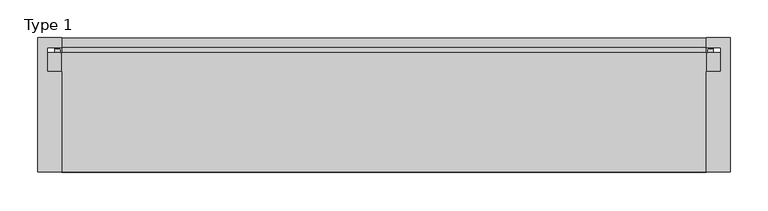
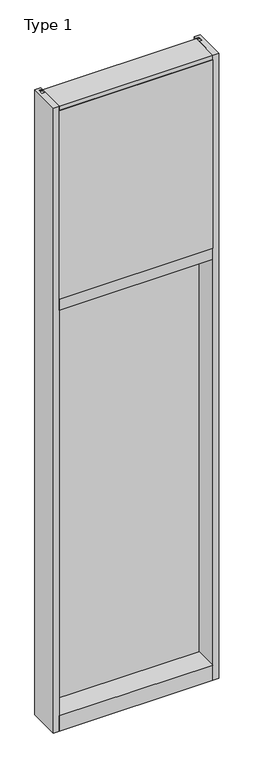
"""IFC4 building model written with IfcOpenShell, lengths in millimetres: plate geometry, Type 1."""

import ifcopenshell
import ifcopenshell.guid

model = None  # the IFC model being written
_history = None  # IfcOwnerHistory: only IFC2X3 demands one
_inside = {}  # id of a spatial element -> (the spatial element, [elements in it])
_under = {}  # id of a project, library or spatial element -> (it, [spatial elements below it])
_declared = {}  # id of a project -> (the project, [libraries it declares])
_typed = {}  # id of a type object -> (the type object, [elements of that type])
_made_of = {}  # id of a material, layer set ... -> (it, [elements and type objects made of it])


def new_model(schema):
    """Start an empty IFC model of exactly this schema.

    Asked for "IFC4X3", IfcOpenShell would pick the latest addendum, in which some entities
    have other attributes; the version numbers below select the first issue.
    IFC2X3 requires an IfcOwnerHistory on every rooted entity: one is made here for all.
    """
    global model, _history
    if schema == "IFC4X3":
        model = ifcopenshell.file(schema_version=(4, 3, 0, 0))
    else:
        model = ifcopenshell.file(schema=schema)
    _inside.clear()
    _under.clear()
    _declared.clear()
    _typed.clear()
    _made_of.clear()
    _history = None
    if model.schema == "IFC2X3":
        org = make("IfcOrganization", Name="unknown")
        user = make(
            "IfcPersonAndOrganization",
            ThePerson=make("IfcPerson", FamilyName="unknown"),
            TheOrganization=org,
        )
        app = make(
            "IfcApplication",
            ApplicationDeveloper=org,
            Version="unknown",
            ApplicationFullName="unknown",
            ApplicationIdentifier="unknown",
        )
        _history = make(
            "IfcOwnerHistory",
            OwningUser=user,
            OwningApplication=app,
            ChangeAction="ADDED",
            CreationDate=0,
        )
    return model


def make(cls, **values):
    """One entity of the class cls with the attributes given. An attribute that is None is left unset."""
    return model.create_entity(
        cls, **{name: value for name, value in values.items() if value is not None}
    )


def rooted(cls, **values):
    """An entity with a GlobalId (a new one), such as an element, a storey or a relation."""
    return make(cls, GlobalId=ifcopenshell.guid.new(), OwnerHistory=_history, **values)


def si_unit(unit_type, name, prefix=None):
    """IfcSIUnit, for example si_unit("LENGTHUNIT", "METRE", prefix="MILLI")."""
    return make("IfcSIUnit", UnitType=unit_type, Prefix=prefix, Name=name)


def assignment(units):
    """IfcUnitAssignment: the units of a project."""
    return None if units is None else make("IfcUnitAssignment", Units=units)


def point(xyz):
    """IfcCartesianPoint."""
    return None if xyz is None else make("IfcCartesianPoint", Coordinates=xyz)


def direction(xyz):
    """IfcDirection."""
    return None if xyz is None else make("IfcDirection", DirectionRatios=xyz)


def frame(location, z_axis=None, x_axis=None):
    """IfcAxis2Placement3D, a coordinate frame: its origin and axes. An axis left out is left unset."""
    return make(
        "IfcAxis2Placement3D",
        Location=point(location),
        Axis=direction(z_axis),
        RefDirection=direction(x_axis),
    )


def frame_2d(location, x_axis=None):
    """IfcAxis2Placement2D, a coordinate frame in the plane: its origin and x axis."""
    return make(
        "IfcAxis2Placement2D", Location=point(location), RefDirection=direction(x_axis)
    )


def origin():
    """The frame at (0, 0, 0) with its axes left unset."""
    return frame((0.0, 0.0, 0.0))


def place(relative_to, where):
    """IfcLocalPlacement: puts the frame where relative to a parent placement (None: the world)."""
    return make(
        "IfcLocalPlacement", PlacementRelTo=relative_to, RelativePlacement=where
    )


def context(
    kind, dimensions, precision=None, world=None, true_north=None, identifier=None
):
    """IfcGeometricRepresentationContext, for example the 3D "Model" context."""
    return make(
        "IfcGeometricRepresentationContext",
        ContextIdentifier=identifier,
        ContextType=kind,
        CoordinateSpaceDimension=dimensions,
        Precision=precision,
        WorldCoordinateSystem=world,
        TrueNorth=true_north,
    )


def project(units=None, contexts=None):
    """IfcProject with its units and contexts."""
    return rooted(
        "IfcProject",
        Name="project",
        RepresentationContexts=contexts,
        UnitsInContext=assignment(units),
    )


def spatial(cls, under=None, at=None, **own):
    """A site, building, storey or space (cls), placed at a placement, below another one or the project."""
    s = rooted(cls, ObjectPlacement=at, **own)
    if under is not None:
        _under.setdefault(under.id(), (under, []))[1].append(s)
    return s


def polyline(points):
    """IfcPolyline through the points."""
    return make("IfcPolyline", Points=[point(p) for p in points])


def circle_curve(where, radius):
    """IfcCircle in the frame where."""
    return make("IfcCircle", Position=where, Radius=radius)


def trimmed(basis, trim1, trim2, sense, master):
    """IfcTrimmedCurve: the piece of a basis curve between two trims."""
    return make(
        "IfcTrimmedCurve",
        BasisCurve=basis,
        Trim1=trim1,
        Trim2=trim2,
        SenseAgreement=sense,
        MasterRepresentation=master,
    )


def segment(curve, same_sense, transition):
    """IfcCompositeCurveSegment."""
    return make(
        "IfcCompositeCurveSegment",
        Transition=transition,
        SameSense=same_sense,
        ParentCurve=curve,
    )


def composite_curve(segments, self_intersect=None):
    """IfcCompositeCurve: segments joined end to end."""
    return make("IfcCompositeCurve", Segments=segments, SelfIntersect=self_intersect)


def outline(outer, holes=None, kind="AREA"):
    """IfcArbitraryClosedProfileDef: a profile drawn as a closed curve; with holes, ...WithVoids."""
    if holes is None:
        return make("IfcArbitraryClosedProfileDef", ProfileType=kind, OuterCurve=outer)
    return make(
        "IfcArbitraryProfileDefWithVoids",
        ProfileType=kind,
        OuterCurve=outer,
        InnerCurves=holes,
    )


def extrude(swept, where, along, depth):
    """IfcExtrudedAreaSolid: the profile swept, set in the frame where, extruded along a direction by depth."""
    return make(
        "IfcExtrudedAreaSolid",
        SweptArea=swept,
        Position=where,
        ExtrudedDirection=direction(along),
        Depth=depth,
    )


def shape(context_of_items, identifier, shape_type, items):
    """IfcShapeRepresentation: the items that make up one representation, for example the "Body"."""
    return make(
        "IfcShapeRepresentation",
        ContextOfItems=context_of_items,
        RepresentationIdentifier=identifier,
        RepresentationType=shape_type,
        Items=items,
    )


def source(mapping_origin, context_of_items, identifier, shape_type, items):
    """IfcRepresentationMap: a shape defined once, which mapped items show again and again."""
    return make(
        "IfcRepresentationMap",
        MappingOrigin=mapping_origin,
        MappedRepresentation=shape(context_of_items, identifier, shape_type, items),
    )


def transform(
    local_origin,
    x_axis=None,
    y_axis=None,
    z_axis=None,
    scale=None,
    scale2=None,
    scale3=None,
    uniform=True,
):
    """IfcCartesianTransformationOperator3D, or its non-uniform kind. x_axis, y_axis, z_axis: its Axis1, 2, 3."""
    if uniform:
        return make(
            "IfcCartesianTransformationOperator3D",
            Axis1=direction(x_axis),
            Axis2=direction(y_axis),
            LocalOrigin=point(local_origin),
            Scale=scale,
            Axis3=direction(z_axis),
        )
    return make(
        "IfcCartesianTransformationOperator3DnonUniform",
        Axis1=direction(x_axis),
        Axis2=direction(y_axis),
        LocalOrigin=point(local_origin),
        Scale=scale,
        Axis3=direction(z_axis),
        Scale2=scale2,
        Scale3=scale3,
    )


def mapped(mapping_source, mapping_target):
    """IfcMappedItem: shows the shape of a source again, moved by a transform."""
    return make(
        "IfcMappedItem", MappingSource=mapping_source, MappingTarget=mapping_target
    )


def made_of(thing, what):
    """Note that an element or type object is made of a material, layer set ...; save() writes the relation."""
    if what is not None:
        _made_of.setdefault(what.id(), (what, []))[1].append(thing)
    return thing


def element(
    cls,
    number,
    at=None,
    inside=None,
    cuts=None,
    type_object=None,
    material=None,
    context=None,
    identifier="Body",
    shape_type=None,
    held_by="IfcProductDefinitionShape",
    body=None,
    shapes=None,
    **own,
):
    """One element of the class cls, such as IfcWall. Its Tag is "e" and its number.

    at: its placement. inside: the storey or other place that contains it. cuts: it is an
    opening in that element (IfcRelVoidsElement). A single representation is given by context,
    identifier, shape_type and body (its items); several are given by shapes. held_by: the class
    of the entity that holds the representations. save() writes the other relations.
    """
    e = rooted(cls, Tag="e%d" % number, ObjectPlacement=at, **own)
    if body is not None:
        shapes = [shape(context, identifier, shape_type, body)]
    if shapes is not None:
        e.Representation = make(held_by, Representations=shapes)
    if inside is not None:
        _inside.setdefault(inside.id(), (inside, []))[1].append(e)
    if cuts is not None:
        rooted(
            "IfcRelVoidsElement", RelatingBuildingElement=cuts, RelatedOpeningElement=e
        )
    if type_object is not None:
        _typed.setdefault(type_object.id(), (type_object, []))[1].append(e)
    return made_of(e, material)


def aggregate(whole, parts):
    """IfcRelAggregates: a whole, such as a stair, and the parts it consists of."""
    return rooted("IfcRelAggregates", RelatingObject=whole, RelatedObjects=parts)


def save(model, path):
    """Write the relations noted so far, then the file.

    IfcRelAggregates (storeys below a building ...), IfcRelContainedInSpatialStructure (elements
    in a storey), IfcRelDefinesByType, IfcRelAssociatesMaterial and IfcRelDeclares: one each for
    every whole, place, type object, material and project.
    """
    for whole, parts in _under.values():
        aggregate(whole, parts)
    for where, things in _inside.values():
        rooted(
            "IfcRelContainedInSpatialStructure",
            RelatedElements=things,
            RelatingStructure=where,
        )
    for kind, things in _typed.values():
        rooted("IfcRelDefinesByType", RelatedObjects=things, RelatingType=kind)
    for what, things in _made_of.values():
        rooted("IfcRelAssociatesMaterial", RelatedObjects=things, RelatingMaterial=what)
    for by, libraries in _declared.values():
        rooted("IfcRelDeclares", RelatingContext=by, RelatedDefinitions=libraries)
    model.write(path)


def type_1_12b75143(model_context):
    return source(origin(), model_context, "Body", "SweptSolid", [
        extrude(outline(polyline([(-457.2, -130.5814), (-457.2, 47.2186), (-425.4489108, 47.2186), (-425.4489108, 34.036), (-444.5, 34.036), (-444.5, 2.286), (-425.45, 2.286), (-425.45, -130.5814), (-457.2, -130.5814)])), frame((0.0, 0.0, -57.15), z_axis=(0.0, 0.0, 1.0), x_axis=(1.0, 0.0, 0.0)), (0.0, 0.0, 1.0), 3657.6),
        extrude(outline(polyline([(457.2, -130.5814), (425.45, -130.5814), (425.45, 2.286), (444.5, 2.286), (444.5, 34.036), (425.4489108, 34.036), (425.4489108, 47.2186), (457.2, 47.2186), (457.2, -130.5814)])), frame((0.0, 0.0, -57.15), z_axis=(0.0, 0.0, 1.0), x_axis=(1.0, 0.0, 0.0)), (0.0, 0.0, 1.0), 3657.6),
        extrude(outline(composite_curve([segment(polyline([(-425.5265008, 34.0361122), (-425.9374462, 27.686), (-426.9039521, 27.686), (-426.9314595, 31.7563748)]), True, "CONTINUOUS"), segment(trimmed(circle_curve(frame_2d((-427.566445, 31.7520836)), 0.635), [point((-426.9314595, 31.7563748))], [point((-427.5313642, 32.3861138))], True, "CARTESIAN"), True, "CONTINUOUS"), segment(polyline([(-427.5313642, 32.3861138), (-434.2867251, 32.7598869)]), True, "CONTINUOUS"), segment(trimmed(circle_curve(frame_2d((-434.1041718, 33.7593519)), 1.016), [point((-434.2867251, 32.7598869))], [point((-435.0817504, 34.0361122))], False, "CARTESIAN"), True, "CONTINUOUS"), segment(polyline([(-435.0817504, 34.0361122), (-425.5265008, 34.0361122)]), True, "CONTINUOUS")], self_intersect=False)), frame((0.0, 0.0, 2459.3728643), z_axis=(0.0, 0.0, 1.0), x_axis=(1.0, 0.0, 0.0)), (0.0, 0.0, 1.0), 1134.7271357),
        extrude(outline(composite_curve([segment(polyline([(425.9374462, 27.686), (425.5265008, 34.0361122), (435.0817504, 34.0361122)]), True, "CONTINUOUS"), segment(trimmed(circle_curve(frame_2d((434.1041718, 33.7593519)), 1.016), [point((435.0817504, 34.0361122))], [point((434.2867251, 32.7598869))], False, "CARTESIAN"), True, "CONTINUOUS"), segment(polyline([(434.2867251, 32.7598869), (427.5313642, 32.3861138)]), True, "CONTINUOUS"), segment(trimmed(circle_curve(frame_2d((427.566445, 31.7520836)), 0.635), [point((427.5313642, 32.3861138))], [point((426.9314595, 31.7563748))], True, "CARTESIAN"), True, "CONTINUOUS"), segment(polyline([(426.9314595, 31.7563748), (426.9039521, 27.686), (425.9374462, 27.686)]), True, "CONTINUOUS")], self_intersect=False)), frame((0.0, 0.0, 2459.3728643), z_axis=(0.0, 0.0, 1.0), x_axis=(1.0, 0.0, 0.0)), (0.0, 0.0, 1.0), 1134.7271357),
        extrude(outline(polyline([(34.0361122, 2459.3728643), (27.686, 2459.3728643), (27.686, 2471.8771952), (34.0361122, 2470.1238955), (34.0361122, 2459.3728643)])), frame((-435.0817504, 0.0, 0.0), z_axis=(1.0, 0.0, 0.0), x_axis=(0.0, 1.0, 0.0)), (0.0, 0.0, 1.0), 870.1635007),
        extrude(outline(polyline([(425.45, -48.514), (425.45, -131.0159103), (-425.45, -131.0159103), (-425.45, -48.514), (425.45, -48.514)])), frame((0.0, 0.0, 2470.15), z_axis=(0.0, 0.0, 1.0), x_axis=(1.0, 0.0, 0.0)), (0.0, 0.0, 1.0), 1104.9),
        extrude(outline(polyline([(444.5, 27.686), (444.5, 2.286), (-444.5, 2.286), (-444.5, 27.686), (444.5, 27.686)])), frame((0.0, 0.0, 2451.1), z_axis=(0.0, 0.0, 1.0), x_axis=(1.0, 0.0, 0.0)), (0.0, 0.0, 1.0), 1143.0),
        extrude(outline(composite_curve([segment(trimmed(circle_curve(frame_2d((-427.5675342, 31.7520836)), 0.635), [point((-426.9325487, 31.7563748))], [point((-427.5324534, 32.3861138))], True, "CARTESIAN"), True, "CONTINUOUS"), segment(polyline([(-427.5324534, 32.3861138), (-434.2878143, 32.7598869)]), True, "CONTINUOUS"), segment(trimmed(circle_curve(frame_2d((-434.1052611, 33.7593519)), 1.016), [point((-434.2878143, 32.7598869))], [point((-435.0828713, 34.036))], False, "CARTESIAN"), True, "CONTINUOUS"), segment(polyline([(-435.0828713, 34.036), (-425.5275972, 34.036), (-425.9385354, 27.686), (-426.9050413, 27.686), (-426.9325487, 31.7563748)]), True, "CONTINUOUS")], self_intersect=False)), frame((0.0, 0.0, 20.9709644), z_axis=(0.0, 0.0, 1.0), x_axis=(1.0, 0.0, 0.0)), (0.0, 0.0, 1.0), 2396.4580861),
        extrude(outline(composite_curve([segment(polyline([(425.9385354, 27.686), (425.5275972, 34.036), (435.0828713, 34.036)]), True, "CONTINUOUS"), segment(trimmed(circle_curve(frame_2d((434.1052611, 33.7593519)), 1.016), [point((435.0828713, 34.036))], [point((434.2878143, 32.7598869))], False, "CARTESIAN"), True, "CONTINUOUS"), segment(polyline([(434.2878143, 32.7598869), (427.5324534, 32.3861138)]), True, "CONTINUOUS"), segment(trimmed(circle_curve(frame_2d((427.5675342, 31.7520836)), 0.635), [point((427.5324534, 32.3861138))], [point((426.9325487, 31.7563748))], True, "CARTESIAN"), True, "CONTINUOUS"), segment(polyline([(426.9325487, 31.7563748), (426.9050413, 27.686), (425.9385354, 27.686)]), True, "CONTINUOUS")], self_intersect=False)), frame((0.0, 0.0, 20.9709644), z_axis=(0.0, 0.0, 1.0), x_axis=(1.0, 0.0, 0.0)), (0.0, 0.0, 1.0), 2396.4580861),
        extrude(outline(polyline([(444.5010892, 27.686), (444.5010892, 2.286), (-444.5010892, 2.286), (-444.5010892, 27.686), (444.5010892, 27.686)])), frame((0.0, 0.0, 12.6962001), z_axis=(0.0, 0.0, 1.0), x_axis=(1.0, 0.0, 0.0)), (0.0, 0.0, 1.0), 2413.0037999),
        extrude(outline(polyline([(27.686, 33.4752684), (34.036, 31.7219997), (34.036, 20.9709644), (27.686, 20.9709644), (27.686, 33.4752684)])), frame((-435.0828713, 0.0, 0.0), z_axis=(1.0, 0.0, 0.0), x_axis=(0.0, 1.0, 0.0)), (0.0, 0.0, 1.0), 870.1657427),
        extrude(outline(polyline([(27.6860992, 2417.4309356), (34.0360992, 2417.4309356), (34.0360992, 2406.6798775), (27.6860992, 2404.9266088), (27.6860992, 2417.4309356)])), frame((-435.0828713, 0.0, 0.0), z_axis=(1.0, 0.0, 0.0), x_axis=(0.0, 1.0, 0.0)), (0.0, 0.0, 1.0), 870.1657427),
        extrude(outline(polyline([(-130.0734, 3600.45), (27.686, 3600.45), (27.686, 3594.1), (0.0, 3594.1), (0.0, 3575.051832), (-130.0734, 3575.051832), (-130.0734, 3600.45)])), frame((-425.45, 0.0, 0.0), z_axis=(1.0, 0.0, 0.0), x_axis=(0.0, 1.0, 0.0)), (0.0, 0.0, 1.0), 850.9),
        extrude(outline(polyline([(0.0, 2470.15), (0.0, 2451.1), (34.13125, 2451.1), (34.13125, 2470.1462001), (47.2186445, 2470.1462001), (47.2186445, 2406.6462001), (34.13125, 2406.6462001), (34.13125, 2425.7), (0.0, 2425.7), (0.0, 2406.65), (-130.175, 2406.65), (-130.175, 2470.15), (0.0, 2470.15)])), frame((-425.45, 0.0, 0.0), z_axis=(1.0, 0.0, 0.0), x_axis=(0.0, 1.0, 0.0)), (0.0, 0.0, 1.0), 850.9),
        extrude(outline(polyline([(0.0, 31.75), (0.0, 12.7), (34.13125, 12.7), (34.13125, 31.751832), (47.2186148, 31.751832), (47.2186148, -57.15), (-130.175, -57.15), (-130.175, 31.75), (0.0, 31.75)])), frame((-425.45, 0.0, 0.0), z_axis=(1.0, 0.0, 0.0), x_axis=(0.0, 1.0, 0.0)), (0.0, 0.0, 1.0), 850.9),
    ])


if __name__ == "__main__":
    model = new_model("IFC4")
    model_context = context("Model", 3, world=origin())
    ifc_project = project(units=[si_unit("LENGTHUNIT", "METRE", prefix="MILLI")], contexts=[model_context])
    site = spatial("IfcSite", under=ifc_project)
    building = spatial("IfcBuilding", under=site)
    placement = place(None, origin())
    type_1_shape = type_1_12b75143(model_context)
    element("IfcPlate", 1, ObjectType="Type 1", at=placement, inside=building, context=model_context, shape_type="MappedRepresentation", body=[
        mapped(type_1_shape, transform((0.0, 0.0, 0.0), x_axis=(1.0, 0.0, 0.0), y_axis=(0.0, 1.0, 0.0), z_axis=(0.0, 0.0, 1.0))),
    ])
    save(model, "model.ifc")
